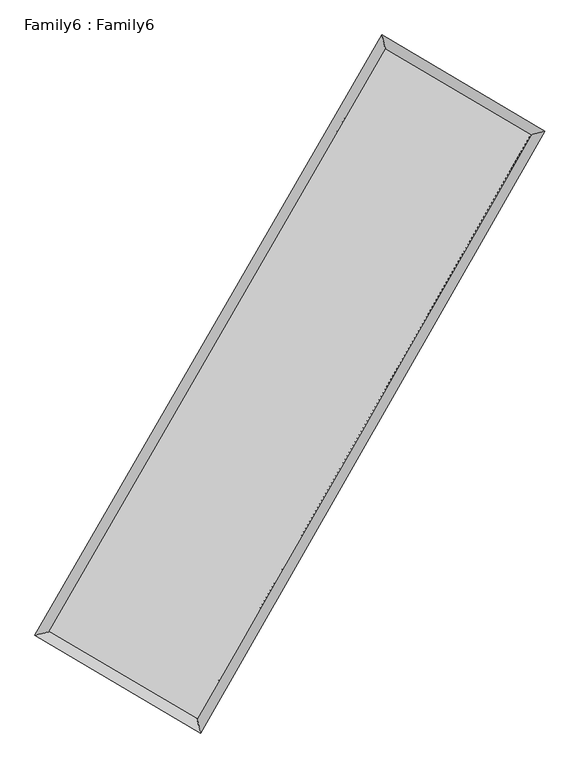
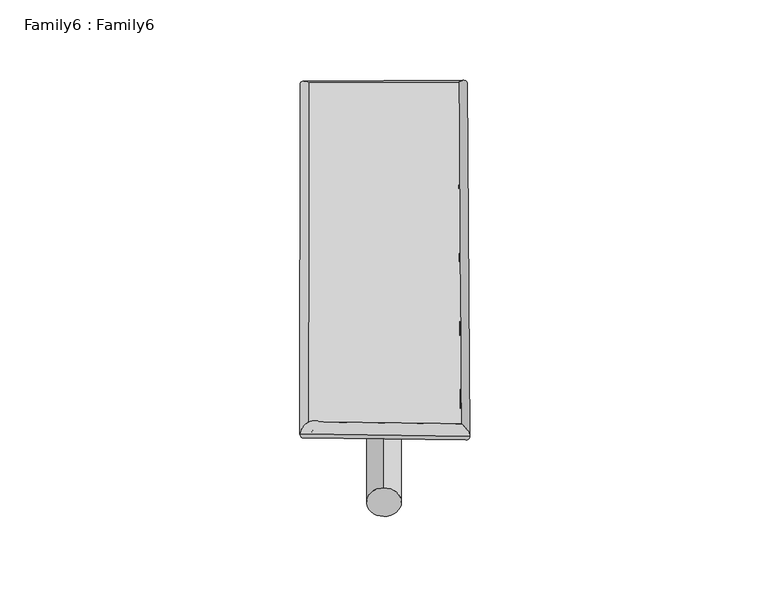
"""IFC4 building model written with IfcOpenShell, lengths in millimetres: plate geometry, Family6 : Family6."""

from ifc_helpers import new_model, si_unit, point, frame, origin, origin_2d, place, context, project, spatial, circle_curve, ellipse_curve, trimmed, segment, composite_curve, outline, extrude, source, transform, mapped, element, save
from ifc_brep_helpers import plane_surface, cylinder_surface, spline_surface, advanced_brep


def family6_family6_3f6d94fd(model_context):
    return source(origin(), model_context, "Body", "SolidModel", [
        extrude(outline(composite_curve([segment(trimmed(circle_curve(origin_2d(), 76.2), [point((-75.4341514, -10.7763073))], [point((75.4341514, 10.7763073))], False, "CARTESIAN"), True, "CONTINUOUS"), segment(trimmed(circle_curve(origin_2d(), 76.2), [point((75.4341514, 10.7763073))], [point((-75.4341514, -10.7763073))], False, "CARTESIAN"), True, "CONTINUOUS")], self_intersect=False)), frame((9144.0, 9144.0, 0.0), z_axis=(0.6687288608766804, 0.690397288142439, 0.2759588649711104), x_axis=(-0.6824914075166224, 0.7172518166899634, -0.14055358451824287)), (0.0, 0.0, 1.0), 5567.2685875),
        extrude(outline(composite_curve([segment(trimmed(circle_curve(origin_2d(), 76.2), [point((-53.8815367, 53.8815367))], [point((53.8815367, -53.8815367))], False, "CARTESIAN"), True, "CONTINUOUS"), segment(trimmed(circle_curve(origin_2d(), 76.2), [point((53.8815367, -53.8815367))], [point((-53.8815367, 53.8815367))], False, "CARTESIAN"), True, "CONTINUOUS")], self_intersect=False)), frame((9144.0, 9144.0, 0.0), z_axis=(-0.6716467756840424, -0.6876929793603958, 0.27562469927720934), x_axis=(0.6433687869996033, -0.3569105515398857, 0.6772676443727056)), (0.0, 0.0, 1.0), 5573.912092),
        extrude(outline(composite_curve([segment(trimmed(circle_curve(origin_2d(), 76.2), [point((-53.8815367, -53.8815367))], [point((53.8815367, 53.8815367))], False, "CARTESIAN"), True, "CONTINUOUS"), segment(trimmed(circle_curve(origin_2d(), 76.2), [point((53.8815367, 53.8815367))], [point((-53.8815367, -53.8815367))], False, "CARTESIAN"), True, "CONTINUOUS")], self_intersect=False)), frame((9144.0, 9144.0, 0.0), z_axis=(0.26203337323227266, 0.9264820337483526, 0.27012877013386266), x_axis=(-0.8418225588224875, 0.35630191538681055, -0.40544262793797325)), (0.0, 0.0, 1.0), 5585.3923853),
        extrude(outline(composite_curve([segment(trimmed(circle_curve(origin_2d(), 76.2), [point((-75.4341514, 10.7763073))], [point((75.4341514, -10.7763073))], False, "CARTESIAN"), True, "CONTINUOUS"), segment(trimmed(circle_curve(origin_2d(), 76.2), [point((75.4341514, -10.7763073))], [point((-75.4341514, 10.7763073))], False, "CARTESIAN"), True, "CONTINUOUS")], self_intersect=False)), frame((9144.0, 9144.0, 0.0), z_axis=(-0.2583165052512577, -0.927572973106769, 0.26996474339558935), x_axis=(0.883696073230329, -0.11397105303206707, 0.45397340145437926)), (0.0, 0.0, 1.0), 5589.9322176),
        advanced_brep(
        [(5192.6820099, 5256.1786308, 1534.2062439), (5192.6581164, 5256.1464065, 1538.9149534), (5607.9178209, 5365.5409426, 1538.4094445), (10662.5807097, 14109.4742006, 1511.6836086), (10552.5377054, 14528.0571922, 1505.8667429), (5607.9417144, 5365.573167, 1533.7007349), (12659.9763434, 12932.7147193, 1536.0490508), (13074.010018, 13042.539551, 1536.62519), (7644.3393209, 4168.4462537, 1509.5947071), (7755.717169, 3749.4136533, 1508.5745264)],
        [
            (0, 1, ellipse_curve(frame((5400.2999154, 5310.8597867, 1536.3078442), z_axis=(-0.2547355226979864, 0.9669960997170366, 0.005325092283005495), x_axis=(-0.9669572223696942, -0.2547755032217382, 0.009119926819665336)), 214.7460883, 152.4)),
            (1, 2, ellipse_curve(frame((5400.2999154, 5310.8597867, 1536.3078442), z_axis=(-0.2547355226979864, 0.9669960997170366, 0.005325092283005495), x_axis=(-0.9669572223696942, -0.2547755032217382, 0.009119926819665336)), 214.7460883, 152.4)),
            (2, 3),
            (3, 4, ellipse_curve(frame((10607.5592075, 14318.7656964, 1508.7751758), z_axis=(-0.9671031368780794, -0.25432331263171587, -0.005583483913232979), x_axis=(0.2542663357541052, -0.96708986353617, 0.009264251063779873)), 216.4245478, 152.4)),
            (4, 0),
            (2, 5, ellipse_curve(frame((5400.2999154, 5310.8597867, 1536.3078442), z_axis=(-0.2547355226979864, 0.9669960997170366, 0.005325092283005495), x_axis=(-0.9669572223696942, -0.2547755032217382, 0.009119926819665336)), 214.7460883, 152.4)),
            (5, 0, ellipse_curve(frame((5400.2999154, 5310.8597867, 1536.3078442), z_axis=(-0.2547355226979864, 0.9669960997170366, 0.005325092283005495), x_axis=(-0.9669572223696942, -0.2547755032217382, 0.009119926819665336)), 214.7460883, 152.4)),
            (4, 3, ellipse_curve(frame((10607.5592075, 14318.7656964, 1508.7751758), z_axis=(-0.9671031368780794, -0.25432331263171587, -0.005583483913232979), x_axis=(0.2542663357541052, -0.96708986353617, 0.009264251063779873)), 216.4245478, 152.4)),
            (3, 6),
            (6, 7, ellipse_curve(frame((12866.9931807, 12987.6271352, 1536.3371204), z_axis=(-0.2563781043738532, 0.9665606703032549, -0.005544206038040984), x_axis=(-0.9665200575882341, -0.25642092262453126, -0.009342843251424864)), 214.1828394, 152.4)),
            (7, 4),
            (7, 6, ellipse_curve(frame((12866.9931807, 12987.6271352, 1536.3371204), z_axis=(-0.2563781043738532, 0.9665606703032549, -0.005544206038040984), x_axis=(-0.9665200575882341, -0.25642092262453126, -0.009342843251424864)), 214.1828394, 152.4)),
            (6, 8),
            (8, 9, ellipse_curve(frame((7700.028245, 3958.9299535, 1509.0846167), z_axis=(0.9664264086668082, 0.2568869277280674, -0.005394719066857532), x_axis=(-0.2568332209829876, 0.9664136886547487, 0.009015485579051484)), 216.7965226, 152.4)),
            (9, 7),
            (9, 8, ellipse_curve(frame((7700.028245, 3958.9299535, 1509.0846167), z_axis=(0.9664264086668082, 0.2568869277280674, -0.005394719066857532), x_axis=(-0.2568332209829876, 0.9664136886547487, 0.009015485579051484)), 216.7965226, 152.4)),
            (8, 5),
            (1, 9),
        ],
        [
            cylinder_surface(frame((5400.2999154, 5310.8597867, 1536.3078442), z_axis=(-0.5004697672392269, -0.8657499696156062, 0.002646165166992012), x_axis=(-0.86565807763802, 0.5003664709102805, -0.016416071662826378)), 152.4),
            cylinder_surface(frame((10607.5592075, 14318.7656964, 1508.7751758), z_axis=(-0.861543179734163, 0.507575508885647, -0.010509625731901423), x_axis=(0.5076621147172887, 0.8615144470726812, -0.00848732972276113)), 152.4),
            cylinder_surface(frame((12866.9931807, 12987.6271352, 1536.3371204), z_axis=(0.49669580712364336, 0.8679207406480952, 0.0026197592741910567), x_axis=(0.8679244148610878, -0.4966958071236433, -0.0006966159852759606)), 152.4),
            cylinder_surface(frame((7700.028245, 3958.9299535, 1509.0846167), z_axis=(0.8620287970211138, -0.5067565733021485, -0.010204338361490492), x_axis=(-0.5067092468442708, -0.8620887795634301, 0.006976769549558668)), 152.4),
        ],
        [
            (0, [[1, 2, 3, 4, 5]]),
            (0, [[6, 7, -5, 8, -3]]),
            (1, [[-4, 9, 10, 11]]),
            (1, [[-8, -11, 12, -9]]),
            (2, [[-10, 13, 14, 15]]),
            (2, [[-12, -15, 16, -13]]),
            (3, [[-14, 17, -6, -2, 18]]),
            (3, [[-16, -18, -1, -7, -17]]),
        ],
    ),
        extrude(outline(composite_curve([segment(trimmed(circle_curve(origin_2d(), 304.8), [point((0.0, -304.8))], [point((0.0, 304.8))], False, "CARTESIAN"), True, "CONTINUOUS"), segment(trimmed(circle_curve(origin_2d(), 304.8), [point((0.0, 304.8))], [point((0.0, -304.8))], False, "CARTESIAN"), True, "CONTINUOUS")], self_intersect=False)), frame((6526.0526398, 4624.4687869, -0.0050898), z_axis=(0.5012336658519179, 0.8653119739236818, 9.744958577328405e-07), x_axis=(-0.8653119739241908, 0.5012336658519179, 2.618597521257992e-07)), (0.0, 0.0, 1.0), 10446.0156551),
        advanced_brep(
        [(5400.2999154, 5310.8597867, 1536.3078442), (7700.028245, 3958.9299535, 1509.0846167), (7700.0325669, 3958.9298909, 1661.4846167), (5400.3042374, 5310.8597241, 1688.7078441), (12866.9931807, 12987.6271352, 1536.3371204), (12866.9975026, 12987.6270726, 1688.7371203), (10607.5592075, 14318.7656964, 1508.7751758), (10607.5635295, 14318.7656338, 1661.1751757)],
        [
            (0, 1),
            (1, 2),
            (2, 3),
            (3, 0),
            (1, 4),
            (4, 5),
            (5, 2),
            (4, 6),
            (6, 7),
            (7, 5),
            (6, 0),
            (3, 7),
        ],
        [
            plane_surface(frame((6550.1640802, 4634.8948701, 1522.6962304), z_axis=(-0.5067828358988129, -0.8620737538295985, 1.401792064761008e-05), x_axis=(0.8620287970211136, -0.5067565733021488, -0.010204338361490487))),
            plane_surface(frame((10283.5107128, 8473.2785443, 1522.7108686), z_axis=(0.8679237510197613, -0.49669745499637485, -2.4817571603501405e-05), x_axis=(0.49669580712364375, 0.8679207406480948, 0.002619759274191058))),
            plane_surface(frame((11737.2761941, 13653.1964158, 1522.5561481), z_axis=(0.5076036697339323, 0.8615906883639614, -1.4041397190152523e-05), x_axis=(-0.8615431797341628, 0.5075755088856471, -0.010509625731901425))),
            plane_surface(frame((8003.9295615, 9814.8127416, 1522.54151), z_axis=(-0.8657529676518243, 0.500471576005194, 2.4757559872722436e-05), x_axis=(-0.5004697672392271, -0.8657499696156061, 0.0026461651669920086))),
            spline_surface(1, 1, [[(7700.0325669, 3958.9298909, 1661.4846167), (5400.3042374, 5310.8597241, 1688.7078441)], [(12866.9975026, 12987.6270726, 1688.7371203), (10607.5635295, 14318.7656338, 1661.1751757)]], [2, 2], [2, 2], [0.0, 1.0], [0.0, 1.0]),
            spline_surface(1, 1, [[(10607.5592075, 14318.7656964, 1508.7751758), (5400.2999154, 5310.8597867, 1536.3078442)], [(12866.9931807, 12987.6271352, 1536.3371204), (7700.028245, 3958.9299535, 1509.0846167)]], [2, 2], [2, 2], [0.0, 1.0], [0.0, 1.0]),
        ],
        [
            (0, [[1, 2, 3, 4]]),
            (1, [[5, 6, 7, -2]]),
            (2, [[8, 9, 10, -6]]),
            (3, [[11, -4, 12, -9]]),
            (4, [[-3, -7, -10, -12]]),
            (5, [[-11, -8, -5, -1]]),
        ],
    ),
    ])


if __name__ == "__main__":
    model = new_model("IFC4")
    model_context = context("Model", 3, world=origin())
    ifc_project = project(units=[si_unit("LENGTHUNIT", "METRE", prefix="MILLI")], contexts=[model_context])
    site = spatial("IfcSite", under=ifc_project)
    building = spatial("IfcBuilding", under=site)
    placement = place(None, origin())
    family6_family6_shape = family6_family6_3f6d94fd(model_context)
    element("IfcPlate", 1, ObjectType="Family6 : Family6", at=placement, inside=building, context=model_context, shape_type="MappedRepresentation", body=[
        mapped(family6_family6_shape, transform((0.0, 0.0, 0.0), x_axis=(1.0, 0.0, 0.0), y_axis=(0.0, 1.0, 0.0), z_axis=(0.0, 0.0, 1.0))),
    ])
    save(model, "model.ifc")
